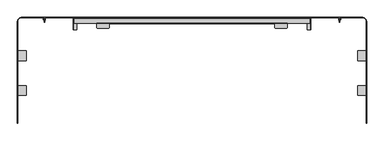
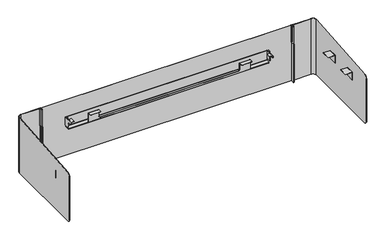
"""IFC4 building model written with IfcOpenShell, lengths in millimetres: furniture geometry."""

from ifc_helpers import new_model, si_unit, point, frame, frame_2d, origin, place, context, project, spatial, polyline, circle_curve, trimmed, segment, composite_curve, outline, extrude, faceted_brep, source, transform, mapped, element, save
from ifc_brep_helpers import plane_surface, cylinder_surface, revolved_surface, advanced_brep


def furniture_031d48e9(model_context):
    return source(origin(), model_context, "Body", "SolidModel", [
        extrude(outline(polyline([(884.8127796, 1518.6801168), (883.3141796, 1518.6801168), (883.3141796, 1535.6641264), (882.2981796, 1536.6801264), (882.2981796, 1538.1791628), (884.8127796, 1535.664599), (884.8127796, 1518.6801168)])), frame((0.0, -38.1141252, 0.0), z_axis=(0.0, 1.0, 0.0), x_axis=(0.0, 0.0, 1.0)), (0.0, 0.0, 1.0), 30.9756022),
        extrude(outline(polyline([(884.8127796, 306.9567361), (884.8127796, 289.9722902), (882.2981796, 287.4577264), (882.2981796, 288.9567265), (883.3141796, 289.9727265), (883.3141796, 306.9567361), (884.8127796, 306.9567361)])), frame((0.0, -38.1141252, 0.0), z_axis=(0.0, 1.0, 0.0), x_axis=(0.0, 0.0, 1.0)), (0.0, 0.0, 1.0), 30.9756022),
        extrude(outline(polyline([(-2.2831232, 882.2981796), (-0.2831232, 884.2982029), (-0.2831232, 892.2982233), (1.7168767, 894.2981739), (8.5668769, 894.2981739), (10.5668764, 892.2982233), (10.5668764, 884.2982029), (12.5668769, 882.2981796), (-2.2831232, 882.2981796)])), frame((1536.6805264, 0.0, 0.0), z_axis=(1.0, 0.0, 0.0), x_axis=(0.0, 1.0, 0.0)), (0.0, 0.0, 1.0), 1.4986),
        extrude(outline(polyline([(-2.2831232, 882.2981796), (-0.2831232, 884.2982029), (-0.2831232, 892.2982233), (1.7168767, 894.2981739), (8.5668769, 894.2981739), (10.5668764, 892.2982233), (10.5668764, 884.2982029), (12.5668769, 882.2981796), (-2.2831232, 882.2981796)])), frame((287.4577264, 0.0, 0.0), z_axis=(1.0, 0.0, 0.0), x_axis=(0.0, 1.0, 0.0)), (0.0, 0.0, 1.0), 1.4986),
        advanced_brep(
        [(1535.6645264, 23.8824818, 882.2981796), (1536.6805264, 22.8664772, 882.2981796), (1536.6805264, -38.1141252, 882.2981796), (1538.1791264, -38.1141252, 882.2981796), (1538.1791264, 22.8668773, 882.2981796), (1535.6645264, 25.3814818, 882.2981796), (1535.6645264, 23.8824818, 831.5421934), (1535.6645264, 25.3814818, 831.5421934), (1538.1791264, 22.8668773, 831.5421934), (1538.1791264, -0.364126, 831.5421934), (1536.6805264, -0.364126, 831.5421934), (1536.6805264, 22.8664772, 831.5421934), (1538.1791264, -38.1141252, 876.2972378), (1538.1791264, -32.1141281, 870.2972406), (1538.1791264, -26.3641225, 870.2972406), (1538.1791264, -6.3641231, 850.2972413), (1538.1791264, -6.3641231, 837.5421905), (1536.6805264, -38.1141252, 876.2972378), (1536.6805264, -6.3641231, 837.5421905), (1536.6805264, -6.3641231, 850.2972413), (1536.6805264, -26.3641225, 870.2972406), (1536.6805264, -32.1141281, 870.2972406)],
        [
            (0, 1),
            (1, 2),
            (2, 3),
            (3, 4),
            (4, 5),
            (5, 0),
            (6, 7),
            (7, 8),
            (8, 9),
            (9, 10),
            (10, 11),
            (11, 6),
            (5, 7),
            (6, 0),
            (4, 8),
            (3, 12),
            (12, 13, circle_curve(frame((1538.1791264, -32.1141281, 876.2972378), z_axis=(1.0, 0.0, 0.0), x_axis=(0.0, 1.0, 0.0)), 5.9999971)),
            (13, 14),
            (14, 15, circle_curve(frame((1538.1791264, -26.3641225, 850.2972413), z_axis=(-1.0, 0.0, 0.0), x_axis=(0.0, 1.0, 0.0)), 19.9999994)),
            (15, 16),
            (16, 9, circle_curve(frame((1538.1791264, -0.364126, 837.5421905), z_axis=(1.0, 0.0, 0.0), x_axis=(0.0, 1.0, 0.0)), 5.9999971)),
            (2, 17),
            (17, 12),
            (1, 11),
            (10, 18, circle_curve(frame((1536.6805264, -0.364126, 837.5421905), z_axis=(-1.0, 0.0, 0.0), x_axis=(0.0, 1.0, 0.0)), 5.9999971)),
            (18, 19),
            (19, 20, circle_curve(frame((1536.6805264, -26.3641225, 850.2972413), z_axis=(1.0, 0.0, 0.0), x_axis=(0.0, 1.0, 0.0)), 19.9999994)),
            (20, 21),
            (21, 17, circle_curve(frame((1536.6805264, -32.1141281, 876.2972378), z_axis=(-1.0, 0.0, 0.0), x_axis=(0.0, 1.0, 0.0)), 5.9999971)),
            (16, 18),
            (15, 19),
            (14, 20),
            (13, 21),
        ],
        [
            plane_surface(frame((1536.6805264, 22.8664772, 882.2981796), z_axis=(0.0, 0.0, 1.0000000000000002), x_axis=(0.7071052068732347, -0.7071083554963553, 0.0))),
            plane_surface(frame((1536.6805264, 22.8664772, 831.5421934), z_axis=(0.0, 0.0, -1.0000000000000002), x_axis=(-0.7071052068732347, 0.7071083554963553, 0.0))),
            plane_surface(frame((1535.6645264, 25.3814818, 882.2981796), z_axis=(-1.0, 0.0, 0.0), x_axis=(0.0, 0.0, -1.0))),
            plane_surface(frame((1538.1791264, 22.8668773, 882.2981796), z_axis=(0.7071074186616366, 0.7071061437108838, 0.0), x_axis=(0.0, 0.0, -1.0))),
            plane_surface(frame((1538.1791264, -38.1141252, 882.2981796), z_axis=(1.0, 0.0, 0.0), x_axis=(0.0, 0.0, -1.0))),
            plane_surface(frame((1536.6805264, -38.1141252, 882.2981796), z_axis=(0.0, -1.0, 0.0), x_axis=(0.0, 0.0, -1.0))),
            plane_surface(frame((1536.6805264, 22.8664772, 882.2981796), z_axis=(-1.0, 0.0, 0.0), x_axis=(0.0, 0.0, -1.0))),
            plane_surface(frame((1535.6645264, 23.8824818, 882.2981796), z_axis=(-0.7071083554963553, -0.7071052068732347, 0.0), x_axis=(0.0, 0.0, -1.0))),
            cylinder_surface(frame((1538.1791264, -0.364126, 837.5421905), z_axis=(1.0, 0.0, 0.0), x_axis=(0.0, 1.0, 0.0)), 5.9999971),
            plane_surface(frame((1536.6805264, -6.3641231, 850.2972413), z_axis=(0.0, -1.0, 0.0), x_axis=(1.0, 0.0, 0.0))),
            revolved_surface(polyline([(1536.6805264, -6.3641231000000005, 850.2972413), (1538.1791264, -6.3641231000000005, 850.2972413)]), (1538.1791264, -26.3641225, 850.2972413), (-1.0, 0.0, 0.0)),
            plane_surface(frame((1536.6805264, -32.1141281, 870.2972406), z_axis=(0.0, 0.0, -1.0), x_axis=(1.0, 0.0, 0.0))),
            cylinder_surface(frame((1538.1791264, -32.1141281, 876.2972378), z_axis=(1.0, 0.0, 0.0), x_axis=(0.0, 1.0, 0.0)), 5.9999971),
        ],
        [
            (0, [[1, 2, 3, 4, 5, 6]]),
            (1, [[7, 8, 9, 10, 11, 12]]),
            (2, [[-6, 13, -7, 14]]),
            (3, [[-5, 15, -8, -13]]),
            (4, [[-4, 16, 17, 18, 19, 20, 21, -9, -15]]),
            (5, [[-3, 22, 23, -16]]),
            (6, [[-2, 24, -11, 25, 26, 27, 28, 29, -22]]),
            (7, [[-1, -14, -12, -24]]),
            (8, [[30, -25, -10, -21]]),
            (9, [[-30, -20, 31, -26]]),
            (10, [[-31, -19, 32, -27]]),
            (11, [[-32, -18, 33, -28]]),
            (12, [[-33, -17, -23, -29]]),
        ],
    ),
        advanced_brep(
        [(289.9723264, 23.8824818, 882.2981796), (289.9723264, 25.3814818, 882.2981796), (287.4577264, 22.8668773, 882.2981796), (287.4577264, -38.1141252, 882.2981796), (288.9563264, -38.1141252, 882.2981796), (288.9563264, 22.8664772, 882.2981796), (289.9723264, 23.8824818, 831.5421934), (288.9563264, 22.8664772, 831.5421934), (288.9563264, -0.364126, 831.5421934), (287.4577264, -0.364126, 831.5421934), (287.4577264, 22.8668773, 831.5421934), (289.9723264, 25.3814818, 831.5421934), (287.4577264, -6.3641231, 837.5421905), (287.4577264, -6.3641231, 850.2972413), (287.4577264, -26.3641225, 870.2972406), (287.4577264, -32.1141281, 870.2972406), (287.4577264, -38.1141252, 876.2972378), (288.9563264, -38.1141252, 876.2972378), (288.9563264, -32.1141281, 870.2972406), (288.9563264, -26.3641225, 870.2972406), (288.9563264, -6.3641231, 850.2972413), (288.9563264, -6.3641231, 837.5421905)],
        [
            (0, 1),
            (1, 2),
            (2, 3),
            (3, 4),
            (4, 5),
            (5, 0),
            (6, 7),
            (7, 8),
            (8, 9),
            (9, 10),
            (10, 11),
            (11, 6),
            (0, 6),
            (11, 1),
            (10, 2),
            (9, 12, circle_curve(frame((287.4577264, -0.364126, 837.5421905), z_axis=(-1.0, 0.0, 0.0), x_axis=(0.0, 1.0, 0.0)), 5.9999971)),
            (12, 13),
            (13, 14, circle_curve(frame((287.4577264, -26.3641225, 850.2972413), z_axis=(1.0, 0.0, 0.0), x_axis=(0.0, 1.0, 0.0)), 19.9999994)),
            (14, 15),
            (15, 16, circle_curve(frame((287.4577264, -32.1141281, 876.2972378), z_axis=(-1.0, 0.0, 0.0), x_axis=(0.0, 1.0, 0.0)), 5.9999971)),
            (16, 3),
            (16, 17),
            (17, 4),
            (17, 18, circle_curve(frame((288.9563264, -32.1141281, 876.2972378), z_axis=(1.0, 0.0, 0.0), x_axis=(0.0, 1.0, 0.0)), 5.9999971)),
            (18, 19),
            (19, 20, circle_curve(frame((288.9563264, -26.3641225, 850.2972413), z_axis=(-1.0, 0.0, 0.0), x_axis=(0.0, 1.0, 0.0)), 19.9999994)),
            (20, 21),
            (21, 8, circle_curve(frame((288.9563264, -0.364126, 837.5421905), z_axis=(1.0, 0.0, 0.0), x_axis=(0.0, 1.0, 0.0)), 5.9999971)),
            (7, 5),
            (21, 12),
            (20, 13),
            (19, 14),
            (18, 15),
        ],
        [
            plane_surface(frame((289.9723264, 1549.3858778, 882.2981796), z_axis=(0.0, 0.0, 1.0), x_axis=(0.0, 1.0, 0.0))),
            plane_surface(frame((289.9723264, 1549.3858778, 831.5421934), z_axis=(0.0, 0.0, -1.0), x_axis=(0.0, -1.0, 0.0))),
            plane_surface(frame((289.9723264, 23.8824818, 882.2981796), z_axis=(1.0, 0.0, 0.0), x_axis=(0.0, 0.0, -1.0))),
            plane_surface(frame((289.9723264, 25.3814818, 882.2981796), z_axis=(-0.7071074186619913, 0.707106143710529, 0.0), x_axis=(0.0, 0.0, -1.0))),
            plane_surface(frame((287.4577264, 22.8668773, 882.2981796), z_axis=(-1.0, 0.0, 0.0), x_axis=(0.0, 0.0, -1.0))),
            plane_surface(frame((287.4577264, -38.1141252, 882.2981796), z_axis=(0.0, -1.0, 0.0), x_axis=(0.0, 0.0, -1.0))),
            plane_surface(frame((288.9563264, -38.1141252, 882.2981796), z_axis=(1.0, 0.0, 0.0), x_axis=(0.0, 0.0, -1.0))),
            plane_surface(frame((288.9563264, 22.8664772, 882.2981796), z_axis=(0.7071083554963622, -0.7071052068732279, 0.0), x_axis=(0.0, 0.0, -1.0))),
            cylinder_surface(frame((287.4577264, -0.364126, 837.5421905), z_axis=(-1.0, 0.0, 0.0), x_axis=(0.0, 1.0, 0.0)), 5.9999971),
            plane_surface(frame((288.9567265, -6.3641231, 837.5421905), z_axis=(0.0, -1.0, 0.0), x_axis=(-1.0, 0.0, 0.0))),
            revolved_surface(polyline([(288.9563264, -6.3641231000000005, 850.2972413), (287.4577264, -6.3641231000000005, 850.2972413)]), (287.4577264, -26.3641225, 850.2972413), (1.0, 0.0, 0.0)),
            plane_surface(frame((288.9567265, -26.3641225, 870.2972406), z_axis=(0.0, 0.0, -1.0), x_axis=(-1.0, 0.0, 0.0))),
            cylinder_surface(frame((287.4577264, -32.1141281, 876.2972378), z_axis=(-1.0, 0.0, 0.0), x_axis=(0.0, 1.0, 0.0)), 5.9999971),
        ],
        [
            (0, [[1, 2, 3, 4, 5, 6]]),
            (1, [[7, 8, 9, 10, 11, 12]]),
            (2, [[-1, 13, -12, 14]]),
            (3, [[-2, -14, -11, 15]]),
            (4, [[-3, -15, -10, 16, 17, 18, 19, 20, 21]]),
            (5, [[-4, -21, 22, 23]]),
            (6, [[-5, -23, 24, 25, 26, 27, 28, -8, 29]]),
            (7, [[-6, -29, -7, -13]]),
            (8, [[30, -16, -9, -28]]),
            (9, [[-30, -27, 31, -17]]),
            (10, [[-31, -26, 32, -18]]),
            (11, [[-32, -25, 33, -19]]),
            (12, [[-33, -24, -22, -20]]),
        ],
    ),
        faceted_brep([(1413.6683264, -4.0651231, 820.9971975), (1413.6683264, -4.8651231, 821.7972214), (1413.6683264, -4.8651231, 882.5182243), (1413.6683264, -7.1596908, 884.8127796), (1413.6683264, -27.2651599, 884.8127796), (1413.6683264, -27.2651599, 883.3141796), (1413.6683264, -7.160127, 883.3141796), (1413.6683264, -6.3641231, 882.5182243), (1413.6683264, -6.3641231, 821.7972214), (1413.6683264, -4.0651231, 819.4982338), (411.9685264, -4.0651231, 820.9971975), (411.9685264, -4.0651231, 819.4982338), (411.9685264, -6.3641231, 821.7972214), (411.9685264, -6.3641231, 882.5182243), (411.9685264, -7.160127, 883.3141796), (411.9685264, -27.2651236, 883.3141796), (411.9685264, -27.2651236, 884.8127796), (411.9685264, -7.1596908, 884.8127796), (411.9685264, -4.8651231, 882.5182243), (411.9685264, -4.8651231, 821.7972214), (476.9685197, -4.8651231, 882.5182243), (476.9685197, -4.8651231, 839.2991327), (482.9694615, -4.8651231, 833.2981909), (1342.6673914, -4.8651231, 833.2981909), (1348.6683332, -4.8651231, 839.2991327), (1348.6683332, -4.8651231, 882.5182243), (1348.6683332, -7.1596908, 884.8127796), (476.9685197, -7.1596908, 884.8127796), (1348.6683332, -27.2651236, 884.8127796), (1351.6557689, -30.2525231, 884.8127796), (1410.6809271, -30.2525231, 884.8127796), (414.9559259, -30.2525231, 884.8127796), (473.9811201, -30.2525231, 884.8127796), (476.9685197, -27.2651236, 884.8127796), (1410.6809271, -30.2525231, 883.3141796), (1351.6557689, -30.2525231, 883.3141796), (1348.6683332, -27.2651236, 883.3141796), (1348.6683332, -7.160127, 883.3141796), (476.9685197, -7.160127, 883.3141796), (476.9685197, -27.2651236, 883.3141796), (473.9811201, -30.2525231, 883.3141796), (414.9559259, -30.2525231, 883.3141796), (1348.6683332, -6.3641231, 882.5182243), (476.9685197, -6.3641231, 882.5182243), (1348.6683332, -6.3641231, 839.2991327), (1342.6673914, -6.3641231, 833.2981909), (482.9694615, -6.3641231, 833.2981909), (476.9685197, -6.3641231, 839.2991327)], [[[0, 1, 2, 3, 4, 5, 6, 7, 8, 9]], [[10, 11, 12, 13, 14, 15, 16, 17, 18, 19]], [[1, 0, 10, 19]], [[2, 1, 19, 18, 20, 21, 22, 23, 24, 25]], [[3, 2, 25, 26]], [[18, 17, 27, 20]], [[4, 3, 26, 28, 29, 30]], [[17, 16, 31, 32, 33, 27]], [[6, 5, 34, 35, 36, 37]], [[15, 14, 38, 39, 40, 41]], [[7, 6, 37, 42]], [[14, 13, 43, 38]], [[8, 7, 42, 44, 45, 46, 47, 43, 13, 12]], [[9, 8, 12, 11]], [[0, 9, 11, 10]], [[30, 34, 5, 4]], [[34, 30, 29, 35]], [[35, 29, 28, 36]], [[36, 28, 26, 25, 24, 44, 42, 37]], [[33, 39, 38, 43, 47, 21, 20, 27]], [[39, 33, 32, 40]], [[40, 32, 31, 41]], [[41, 31, 16, 15]], [[21, 47, 46, 22]], [[22, 46, 45, 23]], [[44, 24, 23, 45]]]),
        advanced_brep(
        [(1535.6645264, 25.3858778, 882.2981796), (1535.6645264, 23.8872778, 882.2981796), (1535.6645264, 23.8872778, 831.5436774), (1535.6645264, 25.3858778, 831.5436774), (289.9723264, 23.8872778, 882.2981796), (289.9723264, 25.3858778, 882.2981796), (289.9723264, 25.3858778, 831.5436774), (289.9723264, 23.8872778, 831.5436774), (1528.1791346, -4.0651231, 820.9971975), (297.4577183, -4.0651231, 820.9971975), (297.4577183, -4.0651231, 819.4982338), (1528.1791346, -4.0651231, 819.4982338), (291.4577185, 22.8668773, 819.4982338), (1534.1791344, 22.8668773, 819.4982338), (1534.1791344, 1.9348768, 819.4982338), (291.4577185, 1.9348768, 819.4982338), (291.4577185, 25.3858778, 822.0171934), (1534.1791344, 25.3858778, 822.0171934), (1534.1791344, 25.3858778, 831.0422239), (291.4577185, 25.3858778, 831.0422239), (291.4577185, 23.8872778, 831.0422239), (291.4577185, 23.8872778, 822.0175935), (1534.1791344, 23.8872778, 822.0175935), (1534.1791344, 23.8872778, 831.0422239), (291.4577185, 22.8668773, 820.9971975), (1534.1791344, 22.8668773, 820.9971975), (291.4577185, 1.9348768, 820.9971975), (1534.1791344, 1.9348768, 820.9971975)],
        [
            (0, 1),
            (1, 2),
            (2, 3),
            (3, 0),
            (4, 5),
            (5, 6),
            (6, 7),
            (7, 4),
            (8, 9),
            (9, 10),
            (10, 11),
            (11, 8),
            (12, 13),
            (13, 14),
            (14, 11, circle_curve(frame((1528.1791346, 1.9348768, 819.4982338), z_axis=(0.0, 0.0, -1.0), x_axis=(1.0, 0.0, 0.0)), 5.9999998)),
            (10, 15, circle_curve(frame((297.4577183, 1.9348768, 819.4982338), z_axis=(0.0, 0.0, -1.0), x_axis=(1.0, 0.0, 0.0)), 5.9999998)),
            (15, 12),
            (12, 16),
            (16, 17),
            (17, 13),
            (5, 0),
            (3, 18),
            (18, 17),
            (16, 19),
            (19, 6),
            (4, 1),
            (7, 20),
            (20, 21),
            (21, 22),
            (22, 23),
            (23, 2),
            (21, 24),
            (24, 25),
            (25, 22),
            (24, 26),
            (26, 9, circle_curve(frame((297.4577183, 1.9348768, 820.9971975), z_axis=(0.0, 0.0, 1.0), x_axis=(1.0, 0.0, 0.0)), 5.9999998)),
            (8, 27, circle_curve(frame((1528.1791346, 1.9348768, 820.9971975), z_axis=(0.0, 0.0, 1.0), x_axis=(1.0, 0.0, 0.0)), 5.9999998)),
            (27, 25),
            (20, 19),
            (15, 26),
            (23, 18),
            (27, 14),
        ],
        [
            plane_surface(frame((1535.6645264, -4.0651231, -304.7923704), z_axis=(1.0, 0.0, 0.0), x_axis=(0.0, 0.0, -1.0))),
            plane_surface(frame((289.9723264, -4.0651231, -304.7923704), z_axis=(-1.0, 0.0, 0.0), x_axis=(0.0, 0.0, 1.0))),
            plane_surface(frame((1535.6645264, -4.0651231, 820.9971975), z_axis=(0.0, -1.0, 0.0), x_axis=(-1.0, 0.0, 0.0))),
            plane_surface(frame((1535.6645264, -4.0651231, 819.4982338), z_axis=(0.0, 0.0, -1.0), x_axis=(-1.0, 0.0, 0.0))),
            plane_surface(frame((1535.6645264, 22.8668773, 819.4982338), z_axis=(0.0, 0.7071010438592774, -0.7071125184672666), x_axis=(-1.0, 0.0, 0.0))),
            plane_surface(frame((1535.6645264, 25.3858778, 822.0171934), z_axis=(0.0, 1.0, 0.0), x_axis=(-1.0, 0.0, 0.0))),
            plane_surface(frame((1535.6645264, 25.3858778, 882.2981796), z_axis=(0.0, 0.0, 1.0), x_axis=(-1.0, 0.0, 0.0))),
            plane_surface(frame((1535.6645264, 23.8872778, 882.2981796), z_axis=(0.0, -1.0, 0.0), x_axis=(-1.0, 0.0, 0.0))),
            plane_surface(frame((1535.6645264, 23.8872778, 822.0175935), z_axis=(0.0, -0.7071052068731417, 0.7071083554964483), x_axis=(-1.0, 0.0, 0.0))),
            plane_surface(frame((1535.6645264, 22.8668773, 820.9971975), z_axis=(0.0, 0.0, 1.0), x_axis=(-1.0, 0.0, 0.0))),
            plane_surface(frame((291.4577185, -38.1141252, 819.4982338), z_axis=(-1.0, 0.0, 0.0), x_axis=(0.0, 1.0, 0.0))),
            plane_surface(frame((291.4577185, -38.1141252, 831.0422239), z_axis=(-0.31985520356193803, 0.0, -0.9474664367429336), x_axis=(0.0, 1.0, 0.0))),
            plane_surface(frame((1535.6645264, -38.1141252, 831.5436774), z_axis=(0.31985520356126146, 0.0, -0.947466436743162), x_axis=(0.0, 1.0, 0.0))),
            plane_surface(frame((1534.1791344, -38.1141252, 831.0422239), z_axis=(1.0, 0.0, 0.0), x_axis=(0.0, 1.0, 0.0))),
            cylinder_surface(frame((297.4577183, 1.9348768, 794.9237614), z_axis=(0.0, 0.0, -1.0), x_axis=(1.0, 0.0, 0.0)), 5.9999998),
            cylinder_surface(frame((1528.1791346, 1.9348768, 0.0076296), z_axis=(0.0, 0.0, -1.0), x_axis=(1.0, 0.0, 0.0)), 5.9999998),
        ],
        [
            (0, [[1, 2, 3, 4]]),
            (1, [[5, 6, 7, 8]]),
            (2, [[9, 10, 11, 12]]),
            (3, [[13, 14, 15, -11, 16, 17]]),
            (4, [[-13, 18, 19, 20]]),
            (5, [[21, -4, 22, 23, -19, 24, 25, -6]]),
            (6, [[-1, -21, -5, 26]]),
            (7, [[-26, -8, 27, 28, 29, 30, 31, -2]]),
            (8, [[-29, 32, 33, 34]]),
            (9, [[-33, 35, 36, -9, 37, 38]]),
            (10, [[39, -24, -18, -17, 40, -35, -32, -28]]),
            (11, [[-39, -27, -7, -25]]),
            (12, [[41, -22, -3, -31]]),
            (13, [[-41, -30, -34, -38, 42, -14, -20, -23]]),
            (14, [[-10, -36, -40, -16]]),
            (15, [[-12, -15, -42, -37]]),
        ],
    ),
        advanced_brep(
        [(1689.06269, 7.8348773, 630.3661735), (1690.5745203, 7.8348773, 630.3661735), (1690.5745203, 1.4732, 636.7278508), (1689.06269, 1.4732, 636.7278508), (1690.5745203, 7.8514406, 883.5972282), (1689.06269, 7.8514406, 883.5972282), (1689.06269, 1.4732, 877.2189877), (1690.5745203, 1.4732, 877.2189877), (1690.5745203, 13.9997677, 883.5972282), (1689.06269, 13.9997677, 883.5972282), (1690.5745203, 13.9997677, 992.4620903), (1689.06269, 13.9997677, 992.4620903), (1690.5745203, 15.1348774, 993.5972), (1689.06269, 15.1348774, 993.5972), (137.3117556, 26.8844778, 993.5972), (135.0627225, 24.6354447, 993.5972), (135.0627225, 15.1348774, 993.5972), (136.5627218, 15.1348774, 993.5972), (136.5627218, 24.6348767, 993.5972), (137.3137229, 25.3858778, 993.5972), (1688.3127903, 25.3858778, 993.5972), (1689.06269, 24.6359781, 993.5972), (1690.5745203, 24.6237137, 993.5972), (1688.3137562, 26.8844778, 993.5972), (137.3117556, 26.8844778, 630.3661735), (1688.3137562, 26.8844778, 630.3661735), (1690.5745203, 24.6237137, 630.3661735), (1689.06269, 24.6359781, 630.3661735), (1688.3127903, 25.3858778, 630.3661735), (137.3137229, 25.3858778, 630.3661735), (136.5627218, 24.6348767, 630.3661735), (136.5627218, 7.8348773, 630.3661735), (135.0627225, 7.8348773, 630.3661735), (135.0627225, 24.6354447, 630.3661735), (135.0627225, 1.4732, 636.7278508), (135.0627225, 1.4732, 877.2189877), (135.0627225, 7.8514406, 883.5972282), (135.0627225, 13.9997677, 883.5972282), (135.0627225, 13.9997677, 992.4620903), (136.5627218, 1.4732, 636.7278508), (136.5627218, 1.4732, 877.2189877), (136.5627218, 13.9997677, 992.4620903), (136.5627218, 13.9997677, 883.5972282), (136.5627218, 7.8514406, 883.5972282)],
        [
            (0, 1),
            (1, 2, circle_curve(frame((1690.5745203, 7.8348773, 636.7278508), z_axis=(-1.0, 0.0, 0.0), x_axis=(0.0, 1.0, 0.0)), 6.3616773)),
            (2, 3),
            (3, 0, circle_curve(frame((1689.06269, 7.8348773, 636.7278508), z_axis=(1.0, 0.0, 0.0), x_axis=(0.0, 1.0, 0.0)), 6.3616773)),
            (4, 5),
            (5, 6, circle_curve(frame((1689.06269, 7.8514406, 877.2189877), z_axis=(1.0, 0.0, 0.0), x_axis=(0.0, 1.0, 0.0)), 6.3782406)),
            (6, 7),
            (7, 4, circle_curve(frame((1690.5745203, 7.8514406, 877.2189877), z_axis=(-1.0, 0.0, 0.0), x_axis=(0.0, 1.0, 0.0)), 6.3782406)),
            (4, 8),
            (8, 9),
            (9, 5),
            (8, 10),
            (10, 11),
            (11, 9),
            (10, 12, circle_curve(frame((1690.5745203, 15.1348774, 992.4620903), z_axis=(-1.0, 0.0, 0.0), x_axis=(0.0, 1.0, 0.0)), 1.1351097)),
            (12, 13),
            (13, 11, circle_curve(frame((1689.06269, 15.1348774, 992.4620903), z_axis=(1.0, 0.0, 0.0), x_axis=(0.0, 1.0, 0.0)), 1.1351097)),
            (14, 15, circle_curve(frame((137.3117556, 24.6354447, 993.5972), z_axis=(0.0, 0.0, 1.0), x_axis=(1.0, 0.0, 0.0)), 2.2490331)),
            (15, 16),
            (16, 17),
            (17, 18),
            (18, 19, circle_curve(frame((137.3137229, 24.6348767, 993.5972), z_axis=(0.0, 0.0, -1.0), x_axis=(1.0, 0.0, 0.0)), 0.7510011)),
            (19, 20),
            (20, 21, circle_curve(frame((1688.3127903, 24.6359781, 993.5972), z_axis=(0.0, 0.0, -1.0), x_axis=(1.0, 0.0, 0.0)), 0.7498997)),
            (21, 13),
            (12, 22),
            (22, 23, circle_curve(frame((1688.3137562, 24.6237137, 993.5972), z_axis=(0.0, 0.0, 1.0), x_axis=(1.0, 0.0, 0.0)), 2.2607641)),
            (23, 14),
            (24, 25),
            (25, 26, circle_curve(frame((1688.3137562, 24.6237137, 630.3661735), z_axis=(0.0, 0.0, -1.0), x_axis=(1.0, 0.0, 0.0)), 2.2607641)),
            (26, 1),
            (0, 27),
            (27, 28, circle_curve(frame((1688.3127903, 24.6359781, 630.3661735), z_axis=(0.0, 0.0, 1.0), x_axis=(1.0, 0.0, 0.0)), 0.7498997)),
            (28, 29),
            (29, 30, circle_curve(frame((137.3137229, 24.6348767, 630.3661735), z_axis=(0.0, 0.0, 1.0), x_axis=(1.0, 0.0, 0.0)), 0.7510011)),
            (30, 31),
            (31, 32),
            (32, 33),
            (33, 24, circle_curve(frame((137.3117556, 24.6354447, 630.3661735), z_axis=(0.0, 0.0, -1.0), x_axis=(1.0, 0.0, 0.0)), 2.2490331)),
            (14, 24),
            (33, 15),
            (32, 34, circle_curve(frame((135.0627225, 7.8348773, 636.7278508), z_axis=(-1.0, 0.0, 0.0), x_axis=(0.0, 1.0, 0.0)), 6.3616773)),
            (34, 35),
            (35, 36, circle_curve(frame((135.0627225, 7.8514406, 877.2189877), z_axis=(-1.0, 0.0, 0.0), x_axis=(0.0, 1.0, 0.0)), 6.3782406)),
            (36, 37),
            (37, 38),
            (38, 16, circle_curve(frame((135.0627225, 15.1348774, 992.4620903), z_axis=(-1.0, 0.0, 0.0), x_axis=(0.0, 1.0, 0.0)), 1.1351097)),
            (34, 39),
            (39, 40),
            (40, 35),
            (30, 18),
            (17, 41, circle_curve(frame((136.5627218, 15.1348774, 992.4620903), z_axis=(1.0, 0.0, 0.0), x_axis=(0.0, 1.0, 0.0)), 1.1351097)),
            (41, 42),
            (42, 43),
            (43, 40, circle_curve(frame((136.5627218, 7.8514406, 877.2189877), z_axis=(1.0, 0.0, 0.0), x_axis=(0.0, 1.0, 0.0)), 6.3782406)),
            (39, 31, circle_curve(frame((136.5627218, 7.8348773, 636.7278508), z_axis=(1.0, 0.0, 0.0), x_axis=(0.0, 1.0, 0.0)), 6.3616773)),
            (29, 19),
            (28, 20),
            (27, 21),
            (3, 6),
            (2, 7),
            (26, 22),
            (25, 23),
            (43, 36),
            (42, 37),
            (41, 38),
        ],
        [
            cylinder_surface(frame((1692.0626886, 7.8348773, 636.7278508), z_axis=(1.0, 0.0, 0.0), x_axis=(0.0, 1.0, 0.0)), 6.3616773),
            cylinder_surface(frame((1520.8254118, 7.8514406, 877.2189877), z_axis=(1.0, 0.0, 0.0), x_axis=(0.0, 1.0, 0.0)), 6.3782406),
            plane_surface(frame((1689.06269, 13.9997677, 883.5972282), z_axis=(0.0, 0.0, 1.0), x_axis=(1.0, 0.0, 0.0))),
            plane_surface(frame((1689.06269, 13.9997677, 992.4620903), z_axis=(0.0, -1.0, 0.0), x_axis=(1.0, 0.0, 0.0))),
            cylinder_surface(frame((1520.8254118, 15.1348774, 992.4620903), z_axis=(1.0, 0.0, 0.0), x_axis=(0.0, 1.0, 0.0)), 1.1351097),
            plane_surface(frame((139.5607886, 24.6354447, 993.5972), z_axis=(0.0, 0.0, 1.0), x_axis=(0.0, 1.0, 0.0))),
            plane_surface(frame((139.5607886, 24.6354447, 630.3661735), z_axis=(0.0, 0.0, -1.0), x_axis=(0.0, -1.0, 0.0))),
            cylinder_surface(frame((137.3117556, 24.6354447, 630.3661735), z_axis=(0.0, 0.0, 1.0), x_axis=(1.0, 0.0, 0.0)), 2.2490331),
            plane_surface(frame((135.0627225, 24.6354447, 993.5972), z_axis=(-1.0, 0.0, 0.0), x_axis=(0.0, 0.0, -1.0))),
            plane_surface(frame((135.0627225, 1.4732, 993.5972), z_axis=(0.0, -1.0, 0.0), x_axis=(0.0, 0.0, -1.0))),
            plane_surface(frame((136.5627218, 1.4732, 993.5972), z_axis=(1.0, 0.0, 0.0), x_axis=(0.0, 0.0, -1.0))),
            revolved_surface(polyline([(138.06472399999998, 24.6348767, 630.3661735), (138.06472399999998, 24.6348767, 993.5972)]), (137.3137229, 24.6348767, 630.3661735), (0.0, 0.0, -1.0)),
            plane_surface(frame((137.3137229, 25.3858778, 993.5972), z_axis=(0.0, -1.0, 0.0), x_axis=(0.0, 0.0, -1.0))),
            revolved_surface(polyline([(1689.06269, 24.6359781, 630.3661735), (1689.06269, 24.6359781, 993.5972)]), (1688.3127903, 24.6359781, 630.3661735), (0.0, 0.0, -1.0)),
            plane_surface(frame((1689.06269, 24.6359781, 993.5972), z_axis=(-1.0, 0.0, 0.0), x_axis=(0.0, 0.0, -1.0))),
            plane_surface(frame((1689.06269, 1.4732, 993.5972), z_axis=(0.0, -1.0, 0.0), x_axis=(0.0, 0.0, -1.0))),
            plane_surface(frame((1690.5745203, 1.4732, 993.5972), z_axis=(1.0, 0.0, 0.0), x_axis=(0.0, 0.0, -1.0))),
            cylinder_surface(frame((1688.3137562, 24.6237137, 630.3661735), z_axis=(0.0, 0.0, 1.0), x_axis=(1.0, 0.0, 0.0)), 2.2607641),
            plane_surface(frame((1688.3137562, 26.8844778, 993.5972), z_axis=(0.0, 1.0, 0.0), x_axis=(0.0, 0.0, -1.0))),
            cylinder_surface(frame((133.5637224, 7.8348773, 636.7278508), z_axis=(-1.0, 0.0, 0.0), x_axis=(0.0, 1.0, 0.0)), 6.3616773),
            cylinder_surface(frame((0.0, 7.8514406, 877.2189877), z_axis=(-1.0, 0.0, 0.0), x_axis=(0.0, 1.0, 0.0)), 6.3782406),
            plane_surface(frame((136.5627218, 7.8514406, 883.5972282), z_axis=(0.0, 0.0, 1.0), x_axis=(-1.0, 0.0, 0.0))),
            plane_surface(frame((136.5627218, 13.9997677, 883.5972282), z_axis=(0.0, -1.0, 0.0), x_axis=(-1.0, 0.0, 0.0))),
            cylinder_surface(frame((0.0, 15.1348774, 992.4620903), z_axis=(-1.0, 0.0, 0.0), x_axis=(0.0, 1.0, 0.0)), 1.1351097),
        ],
        [
            (0, [[1, 2, 3, 4]]),
            (1, [[5, 6, 7, 8]]),
            (2, [[-5, 9, 10, 11]]),
            (3, [[-10, 12, 13, 14]]),
            (4, [[-13, 15, 16, 17]]),
            (5, [[18, 19, 20, 21, 22, 23, 24, 25, -16, 26, 27, 28]]),
            (6, [[29, 30, 31, -1, 32, 33, 34, 35, 36, 37, 38, 39]]),
            (7, [[-18, 40, -39, 41]]),
            (8, [[-41, -38, 42, 43, 44, 45, 46, 47, -19]]),
            (9, [[-43, 48, 49, 50]]),
            (10, [[51, -21, 52, 53, 54, 55, -49, 56, -36]]),
            (11, [[-22, -51, -35, 57]]),
            (12, [[-23, -57, -34, 58]]),
            (13, [[-24, -58, -33, 59]]),
            (14, [[-59, -32, -4, 60, -6, -11, -14, -17, -25]]),
            (15, [[-60, -3, 61, -7]]),
            (16, [[62, -26, -15, -12, -9, -8, -61, -2, -31]]),
            (17, [[-27, -62, -30, 63]]),
            (18, [[-28, -63, -29, -40]]),
            (19, [[-37, -56, -48, -42]]),
            (20, [[64, -44, -50, -55]]),
            (21, [[-64, -54, 65, -45]]),
            (22, [[-65, -53, 66, -46]]),
            (23, [[-66, -52, -20, -47]]),
        ],
    ),
        extrude(outline(composite_curve([segment(polyline([(1695.3302849, 24.1624786), (1695.3302849, 15.6580193)]), True, "CONTINUOUS"), segment(trimmed(circle_curve(frame_2d((1690.581688, 15.6580193)), 4.7485969), [point((1695.3302849, 15.6580193))], [point((1685.833091, 15.6580193))], False, "CARTESIAN"), True, "CONTINUOUS"), segment(polyline([(1685.833091, 15.6580193), (1685.833091, 24.1624786)]), True, "CONTINUOUS"), segment(trimmed(circle_curve(frame_2d((1686.8278902, 24.1624786)), 0.9947992), [point((1685.833091, 24.1624786))], [point((1686.8278902, 25.1572778))], False, "CARTESIAN"), True, "CONTINUOUS"), segment(polyline([(1686.8278902, 25.1572778), (1688.2686887, 25.1572778)]), True, "CONTINUOUS"), segment(trimmed(circle_curve(frame_2d((1687.9966683, 24.4098776)), 0.7953629), [point((1688.2686887, 25.1572778))], [point((1688.2686887, 23.6624774))], False, "CARTESIAN"), True, "CONTINUOUS"), segment(trimmed(circle_curve(frame_2d((1688.3436765, 22.5730981)), 1.0919571), [point((1688.2686887, 23.6624774))], [point((1687.331691, 22.9832878))], True, "CARTESIAN"), True, "CONTINUOUS"), segment(polyline([(1687.331691, 22.9832878), (1687.331691, 15.6624774)]), True, "CONTINUOUS"), segment(trimmed(circle_curve(frame_2d((1690.581688, 15.6624774)), 3.2499969), [point((1687.331691, 15.6624774))], [point((1693.8316849, 15.6624774))], True, "CARTESIAN"), True, "CONTINUOUS"), segment(polyline([(1693.8316849, 15.6624774), (1693.8316849, 22.872942)]), True, "CONTINUOUS"), segment(trimmed(circle_curve(frame_2d((1692.7817021, 22.5730981)), 1.0919571), [point((1693.8316849, 22.872942))], [point((1692.8566899, 23.6624774))], True, "CARTESIAN"), True, "CONTINUOUS"), segment(trimmed(circle_curve(frame_2d((1693.1287103, 24.4098776)), 0.7953629), [point((1692.8566899, 23.6624774))], [point((1692.8566899, 25.1572778))], False, "CARTESIAN"), True, "CONTINUOUS"), segment(polyline([(1692.8566899, 25.1572778), (1694.3354857, 25.1572778)]), True, "CONTINUOUS"), segment(trimmed(circle_curve(frame_2d((1694.3354857, 24.1624786)), 0.9947992), [point((1694.3354857, 25.1572778))], [point((1695.3302849, 24.1624786))], False, "CARTESIAN"), True, "CONTINUOUS")], self_intersect=False)), frame((0.0, 0.0, 883.6082741), z_axis=(0.0, 0.0, 1.0), x_axis=(1.0, 0.0, 0.0)), (0.0, 0.0, 1.0), 109.9889259),
        extrude(outline(composite_curve([segment(trimmed(circle_curve(frame_2d((131.2899261, 24.1624786)), 0.9947992), [point((130.2951269, 24.1624786))], [point((131.2899261, 25.1572778))], False, "CARTESIAN"), True, "CONTINUOUS"), segment(polyline([(131.2899261, 25.1572778), (132.7687219, 25.1572778)]), True, "CONTINUOUS"), segment(trimmed(circle_curve(frame_2d((132.4967015, 24.4098776)), 0.7953629), [point((132.7687219, 25.1572778))], [point((132.7687219, 23.6624774))], False, "CARTESIAN"), True, "CONTINUOUS"), segment(trimmed(circle_curve(frame_2d((132.8437097, 22.5730981)), 1.0919571), [point((132.7687219, 23.6624774))], [point((131.7937269, 22.872942))], True, "CARTESIAN"), True, "CONTINUOUS"), segment(polyline([(131.7937269, 22.872942), (131.7937269, 15.6624774)]), True, "CONTINUOUS"), segment(trimmed(circle_curve(frame_2d((135.0437238, 15.6624774)), 3.2499969), [point((131.7937269, 15.6624774))], [point((138.2937208, 15.6624774))], True, "CARTESIAN"), True, "CONTINUOUS"), segment(polyline([(138.2937208, 15.6624774), (138.2937208, 22.9832878)]), True, "CONTINUOUS"), segment(trimmed(circle_curve(frame_2d((137.2817353, 22.5730981)), 1.0919571), [point((138.2937208, 22.9832878))], [point((137.3567231, 23.6624774))], True, "CARTESIAN"), True, "CONTINUOUS"), segment(trimmed(circle_curve(frame_2d((137.6287435, 24.4098776)), 0.7953629), [point((137.3567231, 23.6624774))], [point((137.3567231, 25.1572778))], False, "CARTESIAN"), True, "CONTINUOUS"), segment(polyline([(137.3567231, 25.1572778), (138.8355189, 25.1572778)]), True, "CONTINUOUS"), segment(trimmed(circle_curve(frame_2d((138.8355189, 24.1624786)), 0.9947992), [point((138.8355189, 25.1572778))], [point((139.8303181, 24.1624786))], False, "CARTESIAN"), True, "CONTINUOUS"), segment(polyline([(139.8303181, 24.1624786), (139.8303181, 15.6580193)]), True, "CONTINUOUS"), segment(trimmed(circle_curve(frame_2d((135.0627225, 15.6580193)), 4.7675956), [point((139.8303181, 15.6580193))], [point((130.2951269, 15.6580193))], False, "CARTESIAN"), True, "CONTINUOUS"), segment(polyline([(130.2951269, 15.6580193), (130.2951269, 24.1624786)]), True, "CONTINUOUS")], self_intersect=False)), frame((0.0, 0.0, 883.6082741), z_axis=(0.0, 0.0, 1.0), x_axis=(1.0, 0.0, 0.0)), (0.0, 0.0, 1.0), 109.9889259),
        advanced_brep(
        [(1692.0626886, 24.6358782, 993.5972), (1692.8126882, 25.3858778, 993.5972), (1811.5860467, 25.3858778, 993.5972), (1830.6360467, 6.3358778, 993.5972), (1832.1310233, 6.3358778, 993.5972), (1811.5824233, 26.8844778, 993.5972), (1692.8235533, 26.8844778, 993.5972), (1690.5745203, 24.6354447, 993.5972), (1690.5745203, 15.1348774, 993.5972), (1692.0626886, 15.1348774, 993.5972), (1690.5745203, 24.6354447, 630.3661735), (1692.8235533, 26.8844778, 630.3661735), (1811.5824233, 26.8844778, 630.3661735), (1832.1310233, 6.3358778, 630.3661735), (1832.1310233, -510.6851074, 630.3661735), (1830.6360467, -510.6851074, 630.3661735), (1830.6360467, 6.3358778, 630.3661735), (1811.5860467, 25.3858778, 630.3661735), (1692.8126882, 25.3858778, 630.3661735), (1692.0626886, 24.6358782, 630.3661735), (1692.0626886, 7.8348773, 630.3661735), (1690.5745203, 7.8348773, 630.3661735), (1690.5745203, 1.4732, 877.2189877), (1690.5745203, 1.4732, 636.7278508), (1692.0626886, 1.4732, 636.7278508), (1692.0626886, 1.4732, 877.2189877), (1690.5745203, 7.8514406, 883.5972282), (1690.5745203, 13.9997677, 883.5972282), (1690.5745203, 13.9997677, 992.4620903), (1832.1310233, -512.4282423, 948.2112348), (1832.1310233, -530.6851221, 928.2873473), (1832.1310233, -530.6851221, 650.3661882), (1830.6360467, -530.6851221, 928.2873473), (1830.6360467, -530.6851221, 650.3661882), (1830.6360467, -512.4282423, 948.2112348), (1692.0626886, 13.9997677, 992.4620903), (1692.0626886, 13.9997677, 883.5972282), (1692.0626886, 7.8514406, 883.5972282)],
        [
            (0, 1, circle_curve(frame((1692.8126882, 24.6358782, 993.5972), z_axis=(0.0, 0.0, -1.0), x_axis=(-1.0, 0.0, 0.0)), 0.7499996)),
            (1, 2),
            (2, 3, circle_curve(frame((1811.5860467, 6.3358778, 993.5972), z_axis=(0.0, 0.0, -1.0), x_axis=(-1.0, 0.0, 0.0)), 19.05)),
            (3, 4),
            (4, 5, circle_curve(frame((1811.5824233, 6.3358778, 993.5972), z_axis=(0.0, 0.0, 1.0), x_axis=(-1.0, 0.0, 0.0)), 20.5486)),
            (5, 6),
            (6, 7, circle_curve(frame((1692.8235533, 24.6354447, 993.5972), z_axis=(0.0, 0.0, 1.0), x_axis=(-1.0, 0.0, 0.0)), 2.2490331)),
            (7, 8),
            (8, 9),
            (9, 0),
            (10, 11, circle_curve(frame((1692.8235533, 24.6354447, 630.3661735), z_axis=(0.0, 0.0, -1.0), x_axis=(-1.0, 0.0, 0.0)), 2.2490331)),
            (11, 12),
            (12, 13, circle_curve(frame((1811.5824233, 6.3358778, 630.3661735), z_axis=(0.0, 0.0, -1.0), x_axis=(-1.0, 0.0, 0.0)), 20.5486)),
            (13, 14),
            (14, 15),
            (15, 16),
            (16, 17, circle_curve(frame((1811.5860467, 6.3358778, 630.3661735), z_axis=(0.0, 0.0, 1.0), x_axis=(-1.0, 0.0, 0.0)), 19.05)),
            (17, 18),
            (18, 19, circle_curve(frame((1692.8126882, 24.6358782, 630.3661735), z_axis=(0.0, 0.0, 1.0), x_axis=(-1.0, 0.0, 0.0)), 0.7499996)),
            (19, 20),
            (20, 21),
            (21, 10),
            (22, 23),
            (23, 24),
            (24, 25),
            (25, 22),
            (7, 10),
            (21, 23, circle_curve(frame((1690.5745203, 7.8348773, 636.7278508), z_axis=(-1.0, 0.0, 0.0), x_axis=(0.0, 1.0, 0.0)), 6.3616773)),
            (22, 26, circle_curve(frame((1690.5745203, 7.8514406, 877.2189877), z_axis=(-1.0, 0.0, 0.0), x_axis=(0.0, 1.0, 0.0)), 6.3782406)),
            (26, 27),
            (27, 28),
            (28, 8, circle_curve(frame((1690.5745203, 15.1348774, 992.4620903), z_axis=(-1.0, 0.0, 0.0), x_axis=(0.0, 1.0, 0.0)), 1.1351097)),
            (6, 11),
            (5, 12),
            (4, 13),
            (4, 29),
            (29, 30, circle_curve(frame((1832.1310233, -510.6851286, 928.2873473), z_axis=(1.0, 0.0, 0.0), x_axis=(0.0, 1.0, 0.0)), 19.9999936)),
            (30, 31),
            (31, 14, circle_curve(frame((1832.1310233, -510.6851074, 650.3661882), z_axis=(1.0, 0.0, 0.0), x_axis=(0.0, 1.0, 0.0)), 20.0000147)),
            (30, 32),
            (32, 33),
            (33, 31),
            (3, 16),
            (15, 33, circle_curve(frame((1830.6360467, -510.6851074, 650.3661882), z_axis=(-1.0, 0.0, 0.0), x_axis=(0.0, 1.0, 0.0)), 20.0000147)),
            (32, 34, circle_curve(frame((1830.6360467, -510.6851286, 928.2873473), z_axis=(-1.0, 0.0, 0.0), x_axis=(0.0, 1.0, 0.0)), 19.9999936)),
            (34, 3),
            (2, 17),
            (1, 18),
            (0, 19),
            (9, 35, circle_curve(frame((1692.0626886, 15.1348774, 992.4620903), z_axis=(1.0, 0.0, 0.0), x_axis=(0.0, 1.0, 0.0)), 1.1351097)),
            (35, 36),
            (36, 37),
            (37, 25, circle_curve(frame((1692.0626886, 7.8514406, 877.2189877), z_axis=(1.0, 0.0, 0.0), x_axis=(0.0, 1.0, 0.0)), 6.3782406)),
            (24, 20, circle_curve(frame((1692.0626886, 7.8348773, 636.7278508), z_axis=(1.0, 0.0, 0.0), x_axis=(0.0, 1.0, 0.0)), 6.3616773)),
            (29, 34),
            (37, 26),
            (36, 27),
            (35, 28),
        ],
        [
            plane_surface(frame((1692.0626886, 1.4732, 993.5972), z_axis=(0.0, 0.0, 1.0), x_axis=(0.0, 1.0, 0.0))),
            plane_surface(frame((1692.0626886, 1.4732, 630.3661735), z_axis=(0.0, 0.0, -1.0), x_axis=(0.0, -1.0, 0.0))),
            plane_surface(frame((1690.5745203, 1.4732, 993.5972), z_axis=(0.0, -1.0, 0.0), x_axis=(0.0, 0.0, -1.0))),
            plane_surface(frame((1690.5745203, 24.6354447, 993.5972), z_axis=(-1.0, 0.0, 0.0), x_axis=(0.0, 0.0, -1.0))),
            cylinder_surface(frame((1692.8235533, 24.6354447, 630.3661735), z_axis=(0.0, 0.0, 1.0), x_axis=(-1.0, 0.0, 0.0)), 2.2490331),
            plane_surface(frame((1811.5824233, 26.8844778, 993.5972), z_axis=(0.0, 1.0, 0.0), x_axis=(0.0, 0.0, -1.0))),
            cylinder_surface(frame((1811.5824233, 6.3358778, 630.3661735), z_axis=(0.0, 0.0, 1.0), x_axis=(-1.0, 0.0, 0.0)), 20.5486),
            plane_surface(frame((1832.1310233, -530.6851221, 993.5972), z_axis=(1.0, 0.0, 0.0), x_axis=(0.0, 0.0, -1.0))),
            plane_surface(frame((1830.6360467, -530.6851221, 993.5972), z_axis=(0.0, -1.0, 0.0), x_axis=(0.0, 0.0, -1.0))),
            plane_surface(frame((1830.6360467, 6.3358778, 993.5972), z_axis=(-1.0, 0.0, 0.0), x_axis=(0.0, 0.0, -1.0))),
            revolved_surface(polyline([(1792.5360467, 6.3358778, 630.3661735), (1792.5360467, 6.3358778, 993.5972)]), (1811.5860467, 6.3358778, 630.3661735), (0.0, 0.0, -1.0)),
            plane_surface(frame((1692.8126882, 25.3858778, 993.5972), z_axis=(0.0, -1.0, 0.0), x_axis=(0.0, 0.0, -1.0))),
            revolved_surface(polyline([(1692.0626886, 24.6358782, 630.3661735), (1692.0626886, 24.6358782, 993.5972)]), (1692.8126882, 24.6358782, 630.3661735), (0.0, 0.0, -1.0)),
            plane_surface(frame((1692.0626886, 1.4732, 993.5972), z_axis=(1.0, 0.0, 0.0), x_axis=(0.0, 0.0, -1.0))),
            cylinder_surface(frame((1832.1310233, -510.6851286, 928.2873473), z_axis=(1.0, 0.0, 0.0), x_axis=(0.0, 1.0, 0.0)), 19.9999936),
            plane_surface(frame((1830.6360467, 6.3358778, 993.5972), z_axis=(0.0, -0.08715571531182477, 0.9961947004920696), x_axis=(1.0, 0.0, 0.0))),
            cylinder_surface(frame((1520.8254118, -510.6851074, 650.3661882), z_axis=(1.0, 0.0, 0.0), x_axis=(0.0, 1.0, 0.0)), 20.0000147),
            cylinder_surface(frame((1692.0626886, 7.8348773, 636.7278508), z_axis=(1.0, 0.0, 0.0), x_axis=(0.0, 1.0, 0.0)), 6.3616773),
            cylinder_surface(frame((1520.8254118, 7.8514406, 877.2189877), z_axis=(1.0, 0.0, 0.0), x_axis=(0.0, 1.0, 0.0)), 6.3782406),
            plane_surface(frame((1689.06269, 13.9997677, 883.5972282), z_axis=(0.0, 0.0, 1.0), x_axis=(1.0, 0.0, 0.0))),
            plane_surface(frame((1689.06269, 13.9997677, 992.4620903), z_axis=(0.0, -1.0, 0.0), x_axis=(1.0, 0.0, 0.0))),
            cylinder_surface(frame((1520.8254118, 15.1348774, 992.4620903), z_axis=(1.0, 0.0, 0.0), x_axis=(0.0, 1.0, 0.0)), 1.1351097),
        ],
        [
            (0, [[1, 2, 3, 4, 5, 6, 7, 8, 9, 10]]),
            (1, [[11, 12, 13, 14, 15, 16, 17, 18, 19, 20, 21, 22]]),
            (2, [[23, 24, 25, 26]]),
            (3, [[27, -22, 28, -23, 29, 30, 31, 32, -8]]),
            (4, [[-7, 33, -11, -27]]),
            (5, [[-6, 34, -12, -33]]),
            (6, [[-5, 35, -13, -34]]),
            (7, [[-35, 36, 37, 38, 39, -14]]),
            (8, [[-38, 40, 41, 42]]),
            (9, [[43, -16, 44, -41, 45, 46]]),
            (10, [[-3, 47, -17, -43]]),
            (11, [[-2, 48, -18, -47]]),
            (12, [[-1, 49, -19, -48]]),
            (13, [[-49, -10, 50, 51, 52, 53, -25, 54, -20]]),
            (14, [[55, -45, -40, -37]]),
            (15, [[-55, -36, -4, -46]]),
            (16, [[-15, -39, -42, -44]]),
            (17, [[-21, -54, -24, -28]]),
            (18, [[56, -29, -26, -53]]),
            (19, [[-56, -52, 57, -30]]),
            (20, [[-57, -51, 58, -31]]),
            (21, [[-58, -50, -9, -32]]),
        ],
    ),
        extrude(outline(polyline([(884.6242741, 1785.6251871), (883.1256741, 1785.6251871), (883.1256741, 1828.1177021), (882.1201837, 1829.1232361), (833.8171999, 1829.1232361), (833.8171999, 1830.6360467), (882.1063736, 1830.6360467), (884.6242741, 1828.1181388), (884.6242741, 1785.6251871)])), frame((0.0, -383.5151202, 0.0), z_axis=(0.0, 1.0, 0.0), x_axis=(0.0, 0.0, 1.0)), (0.0, 0.0, 1.0), 50.8),
        extrude(outline(polyline([(883.1256741, 1785.6251871), (883.1256741, 1828.1177021), (882.1201837, 1829.1232361), (833.8171999, 1829.1232361), (833.8171999, 1830.6360467), (882.1063736, 1830.6360467), (884.6242741, 1828.1181388), (884.6242741, 1785.6251871), (883.1256741, 1785.6251871)])), frame((0.0, -200.2851252, 0.0), z_axis=(0.0, 1.0, 0.0), x_axis=(0.0, 0.0, 1.0)), (0.0, 0.0, 1.0), 50.8),
        extrude(outline(polyline([(884.6242741, 40.0002247), (884.6242741, -2.492727), (882.1132085, -5.0038), (833.8171999, -5.0038), (833.8171999, -3.5007768), (882.1172314, -3.5007768), (883.1256741, -2.4922903), (883.1256741, 40.0002247), (884.6242741, 40.0002247)])), frame((0.0, -383.5151202, 0.0), z_axis=(0.0, 1.0, 0.0), x_axis=(0.0, 0.0, 1.0)), (0.0, 0.0, 1.0), 50.8),
        extrude(outline(polyline([(883.1256741, 40.0002247), (884.6242741, 40.0002247), (884.6242741, -2.492727), (882.1132085, -5.0038), (833.8171999, -5.0038), (833.8171999, -3.5007768), (882.1172314, -3.5007768), (883.1256741, -2.4922903), (883.1256741, 40.0002247)])), frame((0.0, -200.2851252, 0.0), z_axis=(0.0, 1.0, 0.0), x_axis=(0.0, 0.0, 1.0)), (0.0, 0.0, 1.0), 50.8),
        advanced_brep(
        [(135.0627225, 24.6354447, 993.5972), (132.8136894, 26.8844778, 993.5972), (14.0498233, 26.8844778, 993.5972), (-6.4987767, 6.3358778, 993.5972), (-5.0038, 6.3358778, 993.5972), (14.0462, 25.3858778, 993.5972), (132.8127236, 25.3858778, 993.5972), (133.5627232, 24.6358782, 993.5972), (133.5627232, 15.1348774, 993.5972), (135.0627225, 15.1348774, 993.5972), (133.5627232, 24.6358782, 630.3661735), (132.8127236, 25.3858778, 630.3661735), (14.0462, 25.3858778, 630.3661735), (-5.0038, 6.3358778, 630.3661735), (-5.0038, -510.6851074, 630.3661735), (-6.4987767, -510.6851074, 630.3661735), (-6.4987767, 6.3358778, 630.3661735), (14.0498233, 26.8844778, 630.3661735), (132.8136894, 26.8844778, 630.3661735), (135.0627225, 24.6354447, 630.3661735), (135.0627225, 7.8348773, 630.3661735), (133.5627232, 7.8348773, 630.3661735), (133.5627232, 1.4732, 877.2189877), (133.5627232, 1.4732, 636.7278508), (135.0627225, 1.4732, 636.7278508), (135.0627225, 1.4732, 877.2189877), (135.0627225, 13.9997677, 992.4620903), (135.0627225, 13.9997677, 883.5972282), (135.0627225, 7.8514406, 883.5972282), (-6.4987767, -530.6851221, 650.3661882), (-6.4987767, -530.6851221, 928.2873473), (-6.4987767, -512.4282423, 948.2112348), (-5.0038, -530.6851221, 650.3661882), (-5.0038, -530.6851221, 928.2873473), (-5.0038, -512.4282423, 948.2112348), (133.5627232, 7.8514406, 883.5972282), (133.5627232, 13.9997677, 883.5972282), (133.5627232, 13.9997677, 992.4620903)],
        [
            (0, 1, circle_curve(frame((132.8136894, 24.6354447, 993.5972), z_axis=(0.0, 0.0, 1.0), x_axis=(1.0, 0.0, 0.0)), 2.2490331)),
            (1, 2),
            (2, 3, circle_curve(frame((14.0498233, 6.3358778, 993.5972), z_axis=(0.0, 0.0, 1.0), x_axis=(1.0, 0.0, 0.0)), 20.5486)),
            (3, 4),
            (4, 5, circle_curve(frame((14.0462, 6.3358778, 993.5972), z_axis=(0.0, 0.0, -1.0), x_axis=(1.0, 0.0, 0.0)), 19.05)),
            (5, 6),
            (6, 7, circle_curve(frame((132.8127236, 24.6358782, 993.5972), z_axis=(0.0, 0.0, -1.0), x_axis=(1.0, 0.0, 0.0)), 0.7499996)),
            (7, 8),
            (8, 9),
            (9, 0),
            (10, 11, circle_curve(frame((132.8127236, 24.6358782, 630.3661735), z_axis=(0.0, 0.0, 1.0), x_axis=(1.0, 0.0, 0.0)), 0.7499996)),
            (11, 12),
            (12, 13, circle_curve(frame((14.0462, 6.3358778, 630.3661735), z_axis=(0.0, 0.0, 1.0), x_axis=(1.0, 0.0, 0.0)), 19.05)),
            (13, 14),
            (14, 15),
            (15, 16),
            (16, 17, circle_curve(frame((14.0498233, 6.3358778, 630.3661735), z_axis=(0.0, 0.0, -1.0), x_axis=(1.0, 0.0, 0.0)), 20.5486)),
            (17, 18),
            (18, 19, circle_curve(frame((132.8136894, 24.6354447, 630.3661735), z_axis=(0.0, 0.0, -1.0), x_axis=(1.0, 0.0, 0.0)), 2.2490331)),
            (19, 20),
            (20, 21),
            (21, 10),
            (22, 23),
            (23, 24),
            (24, 25),
            (25, 22),
            (19, 0),
            (9, 26, circle_curve(frame((135.0627225, 15.1348774, 992.4620903), z_axis=(1.0, 0.0, 0.0), x_axis=(0.0, 1.0, 0.0)), 1.1351097)),
            (26, 27),
            (27, 28),
            (28, 25, circle_curve(frame((135.0627225, 7.8514406, 877.2189877), z_axis=(1.0, 0.0, 0.0), x_axis=(0.0, 1.0, 0.0)), 6.3782406)),
            (24, 20, circle_curve(frame((135.0627225, 7.8348773, 636.7278508), z_axis=(1.0, 0.0, 0.0), x_axis=(0.0, 1.0, 0.0)), 6.3616773)),
            (18, 1),
            (17, 2),
            (16, 3),
            (15, 29, circle_curve(frame((-6.4987767, -510.6851074, 650.3661882), z_axis=(-1.0, 0.0, 0.0), x_axis=(0.0, 1.0, 0.0)), 20.0000147)),
            (29, 30),
            (30, 31, circle_curve(frame((-6.4987767, -510.6851286, 928.2873473), z_axis=(-1.0, 0.0, 0.0), x_axis=(0.0, 1.0, 0.0)), 19.9999936)),
            (31, 3),
            (29, 32),
            (32, 33),
            (33, 30),
            (13, 4),
            (4, 34),
            (34, 33, circle_curve(frame((-5.0038, -510.6851286, 928.2873473), z_axis=(1.0, 0.0, 0.0), x_axis=(0.0, 1.0, 0.0)), 19.9999936)),
            (32, 14, circle_curve(frame((-5.0038, -510.6851074, 650.3661882), z_axis=(1.0, 0.0, 0.0), x_axis=(0.0, 1.0, 0.0)), 20.0000147)),
            (12, 5),
            (11, 6),
            (10, 7),
            (21, 23, circle_curve(frame((133.5627232, 7.8348773, 636.7278508), z_axis=(-1.0, 0.0, 0.0), x_axis=(0.0, 1.0, 0.0)), 6.3616773)),
            (22, 35, circle_curve(frame((133.5627232, 7.8514406, 877.2189877), z_axis=(-1.0, 0.0, 0.0), x_axis=(0.0, 1.0, 0.0)), 6.3782406)),
            (35, 36),
            (36, 37),
            (37, 8, circle_curve(frame((133.5627232, 15.1348774, 992.4620903), z_axis=(-1.0, 0.0, 0.0), x_axis=(0.0, 1.0, 0.0)), 1.1351097)),
            (34, 31),
            (28, 35),
            (27, 36),
            (26, 37),
        ],
        [
            plane_surface(frame((1524.0, 1.4732, 993.5972), z_axis=(0.0, 0.0, 1.0), x_axis=(1.0, 0.0, 0.0))),
            plane_surface(frame((1524.0, 1.4732, 630.3661735), z_axis=(0.0, 0.0, -1.0), x_axis=(-1.0, 0.0, 0.0))),
            plane_surface(frame((133.5627232, 1.4732, 993.5972), z_axis=(0.0, -1.0, 0.0), x_axis=(0.0, 0.0, -1.0))),
            plane_surface(frame((135.0627225, 1.4732, 993.5972), z_axis=(1.0, 0.0, 0.0), x_axis=(0.0, 0.0, -1.0))),
            cylinder_surface(frame((132.8136894, 24.6354447, 630.3661735), z_axis=(0.0, 0.0, 1.0), x_axis=(1.0, 0.0, 0.0)), 2.2490331),
            plane_surface(frame((132.8136894, 26.8844778, 993.5972), z_axis=(0.0, 1.0, 0.0), x_axis=(0.0, 0.0, -1.0))),
            cylinder_surface(frame((14.0498233, 6.3358778, 630.3661735), z_axis=(0.0, 0.0, 1.0), x_axis=(1.0, 0.0, 0.0)), 20.5486),
            plane_surface(frame((-6.4987767, 6.3358778, 993.5972), z_axis=(-1.0, 0.0, 0.0), x_axis=(0.0, 0.0, -1.0))),
            plane_surface(frame((-6.4987767, -530.6851221, 993.5972), z_axis=(0.0, -1.0, 0.0), x_axis=(0.0, 0.0, -1.0))),
            plane_surface(frame((-5.0038, -530.6851221, 993.5972), z_axis=(1.0, 0.0, 0.0), x_axis=(0.0, 0.0, -1.0))),
            revolved_surface(polyline([(33.0962, 6.3358778, 630.3661735), (33.0962, 6.3358778, 993.5972)]), (14.0462, 6.3358778, 630.3661735), (0.0, 0.0, -1.0)),
            plane_surface(frame((14.0462, 25.3858778, 993.5972), z_axis=(0.0, -1.0, 0.0), x_axis=(0.0, 0.0, -1.0))),
            revolved_surface(polyline([(133.5627232, 24.6358782, 630.3661735), (133.5627232, 24.6358782, 993.5972)]), (132.8127236, 24.6358782, 630.3661735), (0.0, 0.0, -1.0)),
            plane_surface(frame((133.5627232, 24.6358782, 993.5972), z_axis=(-1.0, 0.0, 0.0), x_axis=(0.0, 0.0, -1.0))),
            cylinder_surface(frame((-6.4987767, -510.6851286, 928.2873473), z_axis=(-1.0, 0.0, 0.0), x_axis=(0.0, 1.0, 0.0)), 19.9999936),
            plane_surface(frame((-5.0038, -512.4282423, 948.2112348), z_axis=(0.0, -0.08715571531195832, 0.9961947004920579), x_axis=(-1.0, 0.0, 0.0))),
            cylinder_surface(frame((0.0, -510.6851074, 650.3661882), z_axis=(-1.0, 0.0, 0.0), x_axis=(0.0, 1.0, 0.0)), 20.0000147),
            cylinder_surface(frame((133.5637224, 7.8348773, 636.7278508), z_axis=(-1.0, 0.0, 0.0), x_axis=(0.0, 1.0, 0.0)), 6.3616773),
            cylinder_surface(frame((0.0, 7.8514406, 877.2189877), z_axis=(-1.0, 0.0, 0.0), x_axis=(0.0, 1.0, 0.0)), 6.3782406),
            plane_surface(frame((136.5627218, 7.8514406, 883.5972282), z_axis=(0.0, 0.0, 1.0), x_axis=(-1.0, 0.0, 0.0))),
            plane_surface(frame((136.5627218, 13.9997677, 883.5972282), z_axis=(0.0, -1.0, 0.0), x_axis=(-1.0, 0.0, 0.0))),
            cylinder_surface(frame((0.0, 15.1348774, 992.4620903), z_axis=(-1.0, 0.0, 0.0), x_axis=(0.0, 1.0, 0.0)), 1.1351097),
        ],
        [
            (0, [[1, 2, 3, 4, 5, 6, 7, 8, 9, 10]]),
            (1, [[11, 12, 13, 14, 15, 16, 17, 18, 19, 20, 21, 22]]),
            (2, [[23, 24, 25, 26]]),
            (3, [[27, -10, 28, 29, 30, 31, -25, 32, -20]]),
            (4, [[-1, -27, -19, 33]]),
            (5, [[-2, -33, -18, 34]]),
            (6, [[-3, -34, -17, 35]]),
            (7, [[-35, -16, 36, 37, 38, 39]]),
            (8, [[-37, 40, 41, 42]]),
            (9, [[43, 44, 45, -41, 46, -14]]),
            (10, [[-5, -43, -13, 47]]),
            (11, [[-6, -47, -12, 48]]),
            (12, [[-7, -48, -11, 49]]),
            (13, [[-49, -22, 50, -23, 51, 52, 53, 54, -8]]),
            (14, [[55, -38, -42, -45]]),
            (15, [[-55, -44, -4, -39]]),
            (16, [[-15, -46, -40, -36]]),
            (17, [[-21, -32, -24, -50]]),
            (18, [[56, -51, -26, -31]]),
            (19, [[-56, -30, 57, -52]]),
            (20, [[-57, -29, 58, -53]]),
            (21, [[-58, -28, -9, -54]]),
        ],
    ),
    ])


if __name__ == "__main__":
    model = new_model("IFC4")
    model_context = context("Model", 3, world=origin())
    ifc_project = project(units=[si_unit("LENGTHUNIT", "METRE", prefix="MILLI")], contexts=[model_context])
    site = spatial("IfcSite", under=ifc_project)
    building = spatial("IfcBuilding", under=site)
    placement = place(None, origin())
    furniture_shape = furniture_031d48e9(model_context)
    element("IfcFurniture", 1, at=placement, inside=building, context=model_context, shape_type="MappedRepresentation", body=[
        mapped(furniture_shape, transform((0.0, 0.0, 0.0), x_axis=(1.0, 0.0, 0.0), y_axis=(0.0, 1.0, 0.0), z_axis=(0.0, 0.0, 1.0))),
    ])
    save(model, "model.ifc")
